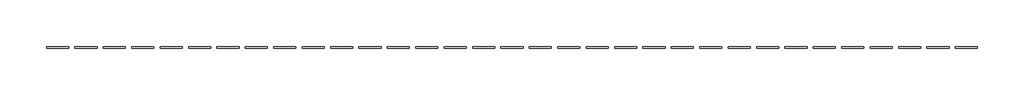
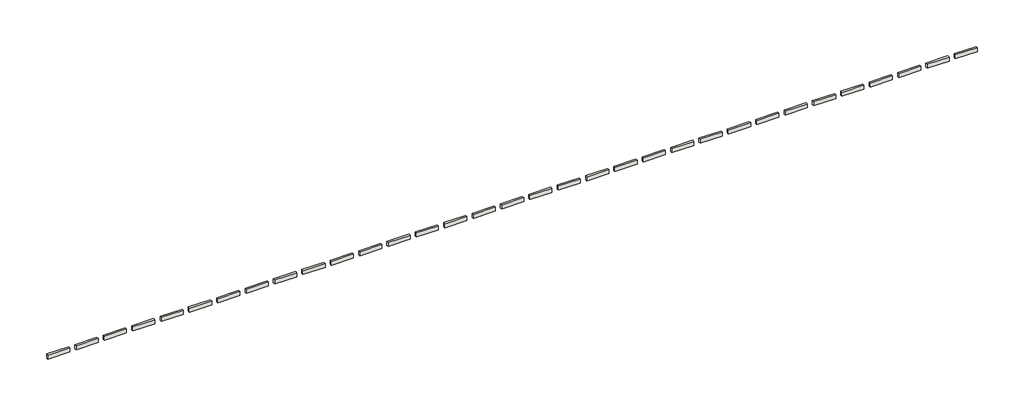
# One storey: 33 walls.
"""IFC4 building model written with IfcOpenShell, lengths in millimetres."""

import ifcopenshell
import ifcopenshell.guid

model = None  # the IFC model being written
_history = None  # IfcOwnerHistory: only IFC2X3 demands one
_inside = {}  # id of a spatial element -> (the spatial element, [elements in it])
_under = {}  # id of a project, library or spatial element -> (it, [spatial elements below it])
_declared = {}  # id of a project -> (the project, [libraries it declares])
_typed = {}  # id of a type object -> (the type object, [elements of that type])
_made_of = {}  # id of a material, layer set ... -> (it, [elements and type objects made of it])


def new_model(schema):
    """Start an empty IFC model of exactly this schema.

    Asked for "IFC4X3", IfcOpenShell would pick the latest addendum, in which some entities
    have other attributes; the version numbers below select the first issue.
    IFC2X3 requires an IfcOwnerHistory on every rooted entity: one is made here for all.
    """
    global model, _history
    if schema == "IFC4X3":
        model = ifcopenshell.file(schema_version=(4, 3, 0, 0))
    else:
        model = ifcopenshell.file(schema=schema)
    _inside.clear()
    _under.clear()
    _declared.clear()
    _typed.clear()
    _made_of.clear()
    _history = None
    if model.schema == "IFC2X3":
        org = make("IfcOrganization", Name="unknown")
        user = make(
            "IfcPersonAndOrganization",
            ThePerson=make("IfcPerson", FamilyName="unknown"),
            TheOrganization=org,
        )
        app = make(
            "IfcApplication",
            ApplicationDeveloper=org,
            Version="unknown",
            ApplicationFullName="unknown",
            ApplicationIdentifier="unknown",
        )
        _history = make(
            "IfcOwnerHistory",
            OwningUser=user,
            OwningApplication=app,
            ChangeAction="ADDED",
            CreationDate=0,
        )
    return model


def make(cls, **values):
    """One entity of the class cls with the attributes given. An attribute that is None is left unset."""
    return model.create_entity(
        cls, **{name: value for name, value in values.items() if value is not None}
    )


def rooted(cls, **values):
    """An entity with a GlobalId (a new one), such as an element, a storey or a relation."""
    return make(cls, GlobalId=ifcopenshell.guid.new(), OwnerHistory=_history, **values)


def si_unit(unit_type, name, prefix=None):
    """IfcSIUnit, for example si_unit("LENGTHUNIT", "METRE", prefix="MILLI")."""
    return make("IfcSIUnit", UnitType=unit_type, Prefix=prefix, Name=name)


def assignment(units):
    """IfcUnitAssignment: the units of a project."""
    return None if units is None else make("IfcUnitAssignment", Units=units)


def point(xyz):
    """IfcCartesianPoint."""
    return None if xyz is None else make("IfcCartesianPoint", Coordinates=xyz)


def direction(xyz):
    """IfcDirection."""
    return None if xyz is None else make("IfcDirection", DirectionRatios=xyz)


def frame(location, z_axis=None, x_axis=None):
    """IfcAxis2Placement3D, a coordinate frame: its origin and axes. An axis left out is left unset."""
    return make(
        "IfcAxis2Placement3D",
        Location=point(location),
        Axis=direction(z_axis),
        RefDirection=direction(x_axis),
    )


def origin():
    """The frame at (0, 0, 0) with its axes left unset."""
    return frame((0.0, 0.0, 0.0))


def place(relative_to, where):
    """IfcLocalPlacement: puts the frame where relative to a parent placement (None: the world)."""
    return make(
        "IfcLocalPlacement", PlacementRelTo=relative_to, RelativePlacement=where
    )


def context(
    kind, dimensions, precision=None, world=None, true_north=None, identifier=None
):
    """IfcGeometricRepresentationContext, for example the 3D "Model" context."""
    return make(
        "IfcGeometricRepresentationContext",
        ContextIdentifier=identifier,
        ContextType=kind,
        CoordinateSpaceDimension=dimensions,
        Precision=precision,
        WorldCoordinateSystem=world,
        TrueNorth=true_north,
    )


def project(units=None, contexts=None):
    """IfcProject with its units and contexts."""
    return rooted(
        "IfcProject",
        Name="project",
        RepresentationContexts=contexts,
        UnitsInContext=assignment(units),
    )


def spatial(cls, under=None, at=None, **own):
    """A site, building, storey or space (cls), placed at a placement, below another one or the project."""
    s = rooted(cls, ObjectPlacement=at, **own)
    if under is not None:
        _under.setdefault(under.id(), (under, []))[1].append(s)
    return s


def polyline(points):
    """IfcPolyline through the points."""
    return make("IfcPolyline", Points=[point(p) for p in points])


def outline(outer, holes=None, kind="AREA"):
    """IfcArbitraryClosedProfileDef: a profile drawn as a closed curve; with holes, ...WithVoids."""
    if holes is None:
        return make("IfcArbitraryClosedProfileDef", ProfileType=kind, OuterCurve=outer)
    return make(
        "IfcArbitraryProfileDefWithVoids",
        ProfileType=kind,
        OuterCurve=outer,
        InnerCurves=holes,
    )


def extrude(swept, where, along, depth):
    """IfcExtrudedAreaSolid: the profile swept, set in the frame where, extruded along a direction by depth."""
    return make(
        "IfcExtrudedAreaSolid",
        SweptArea=swept,
        Position=where,
        ExtrudedDirection=direction(along),
        Depth=depth,
    )


def shape(context_of_items, identifier, shape_type, items):
    """IfcShapeRepresentation: the items that make up one representation, for example the "Body"."""
    return make(
        "IfcShapeRepresentation",
        ContextOfItems=context_of_items,
        RepresentationIdentifier=identifier,
        RepresentationType=shape_type,
        Items=items,
    )


def made_of(thing, what):
    """Note that an element or type object is made of a material, layer set ...; save() writes the relation."""
    if what is not None:
        _made_of.setdefault(what.id(), (what, []))[1].append(thing)
    return thing


def element(
    cls,
    number,
    at=None,
    inside=None,
    cuts=None,
    type_object=None,
    material=None,
    context=None,
    identifier="Body",
    shape_type=None,
    held_by="IfcProductDefinitionShape",
    body=None,
    shapes=None,
    **own,
):
    """One element of the class cls, such as IfcWall. Its Tag is "e" and its number.

    at: its placement. inside: the storey or other place that contains it. cuts: it is an
    opening in that element (IfcRelVoidsElement). A single representation is given by context,
    identifier, shape_type and body (its items); several are given by shapes. held_by: the class
    of the entity that holds the representations. save() writes the other relations.
    """
    e = rooted(cls, Tag="e%d" % number, ObjectPlacement=at, **own)
    if body is not None:
        shapes = [shape(context, identifier, shape_type, body)]
    if shapes is not None:
        e.Representation = make(held_by, Representations=shapes)
    if inside is not None:
        _inside.setdefault(inside.id(), (inside, []))[1].append(e)
    if cuts is not None:
        rooted(
            "IfcRelVoidsElement", RelatingBuildingElement=cuts, RelatedOpeningElement=e
        )
    if type_object is not None:
        _typed.setdefault(type_object.id(), (type_object, []))[1].append(e)
    return made_of(e, material)


def aggregate(whole, parts):
    """IfcRelAggregates: a whole, such as a stair, and the parts it consists of."""
    return rooted("IfcRelAggregates", RelatingObject=whole, RelatedObjects=parts)


def save(model, path):
    """Write the relations noted so far, then the file.

    IfcRelAggregates (storeys below a building ...), IfcRelContainedInSpatialStructure (elements
    in a storey), IfcRelDefinesByType, IfcRelAssociatesMaterial and IfcRelDeclares: one each for
    every whole, place, type object, material and project.
    """
    for whole, parts in _under.values():
        aggregate(whole, parts)
    for where, things in _inside.values():
        rooted(
            "IfcRelContainedInSpatialStructure",
            RelatedElements=things,
            RelatingStructure=where,
        )
    for kind, things in _typed.values():
        rooted("IfcRelDefinesByType", RelatedObjects=things, RelatingType=kind)
    for what, things in _made_of.values():
        rooted("IfcRelAssociatesMaterial", RelatedObjects=things, RelatingMaterial=what)
    for by, libraries in _declared.values():
        rooted("IfcRelDeclares", RelatingContext=by, RelatedDefinitions=libraries)
    model.write(path)


model = new_model("IFC4")

# Units and contexts
model_context = context("Model", 3, world=origin())
ifc_project = project(units=[si_unit("LENGTHUNIT", "METRE", prefix="MILLI")], contexts=[model_context])

# Site, building, storey
site = spatial("IfcSite", under=ifc_project)
building = spatial("IfcBuilding", under=site)
storey = spatial("IfcBuildingStorey", under=building, Elevation=4572.0)

# Walls
placement = place(None, origin())
element("IfcWall", 1, at=placement, inside=storey, context=model_context, shape_type="SweptSolid", body=[
    extrude(outline(polyline([(-8690.2229746, -16291.1995319), (-9757.0229746, -16291.1995319), (-9757.0229746, -16199.1245319), (-8690.2229746, -16199.1245319), (-8690.2229746, -16291.1995319)])), frame((0.0, 0.0, 4572.0), z_axis=(0.0, 0.0, 1.0), x_axis=(1.0, 0.0, 0.0)), (0.0, 0.0, 1.0), 203.2),
])
element("IfcWall", 2, at=placement, inside=storey, context=model_context, shape_type="SweptSolid", body=[
    extrude(outline(polyline([(-7318.6229746, -16291.1995319), (-8385.4229746, -16291.1995319), (-8385.4229746, -16199.1245319), (-7318.6229746, -16199.1245319), (-7318.6229746, -16291.1995319)])), frame((0.0, 0.0, 4572.0), z_axis=(0.0, 0.0, 1.0), x_axis=(1.0, 0.0, 0.0)), (0.0, 0.0, 1.0), 203.2),
])
element("IfcWall", 3, at=placement, inside=storey, context=model_context, shape_type="SweptSolid", body=[
    extrude(outline(polyline([(2282.5770254, -16291.1995319), (1215.7770254, -16291.1995319), (1215.7770254, -16199.1245319), (2282.5770254, -16199.1245319), (2282.5770254, -16291.1995319)])), frame((0.0, 0.0, 4572.0), z_axis=(0.0, 0.0, 1.0), x_axis=(1.0, 0.0, 0.0)), (0.0, 0.0, 1.0), 203.2),
])
element("IfcWall", 4, at=placement, inside=storey, context=model_context, shape_type="SweptSolid", body=[
    extrude(outline(polyline([(3654.1770254, -16291.1995319), (2587.3770254, -16291.1995319), (2587.3770254, -16199.1245319), (3654.1770254, -16199.1245319), (3654.1770254, -16291.1995319)])), frame((0.0, 0.0, 4572.0), z_axis=(0.0, 0.0, 1.0), x_axis=(1.0, 0.0, 0.0)), (0.0, 0.0, 1.0), 203.2),
])
element("IfcWall", 5, at=placement, inside=storey, context=model_context, shape_type="SweptSolid", body=[
    extrude(outline(polyline([(7768.9770254, -16291.1995319), (6702.1770254, -16291.1995319), (6702.1770254, -16199.1245319), (7768.9770254, -16199.1245319), (7768.9770254, -16291.1995319)])), frame((0.0, 0.0, 4572.0), z_axis=(0.0, 0.0, 1.0), x_axis=(1.0, 0.0, 0.0)), (0.0, 0.0, 1.0), 203.2),
])
element("IfcWall", 6, at=placement, inside=storey, context=model_context, shape_type="SweptSolid", body=[
    extrude(outline(polyline([(10512.1770254, -16291.1995319), (9445.3770254, -16291.1995319), (9445.3770254, -16199.1245319), (10512.1770254, -16199.1245319), (10512.1770254, -16291.1995319)])), frame((0.0, 0.0, 4572.0), z_axis=(0.0, 0.0, 1.0), x_axis=(1.0, 0.0, 0.0)), (0.0, 0.0, 1.0), 203.2),
])
element("IfcWall", 7, at=placement, inside=storey, context=model_context, shape_type="SweptSolid", body=[
    extrude(outline(polyline([(11883.7770254, -16291.1995319), (10816.9770254, -16291.1995319), (10816.9770254, -16199.1245319), (11883.7770254, -16199.1245319), (11883.7770254, -16291.1995319)])), frame((0.0, 0.0, 4572.0), z_axis=(0.0, 0.0, 1.0), x_axis=(1.0, 0.0, 0.0)), (0.0, 0.0, 1.0), 203.2),
])
element("IfcWall", 8, at=placement, inside=storey, context=model_context, shape_type="SweptSolid", body=[
    extrude(outline(polyline([(13255.3770254, -16291.1995319), (12188.5770254, -16291.1995319), (12188.5770254, -16199.1245319), (13255.3770254, -16199.1245319), (13255.3770254, -16291.1995319)])), frame((0.0, 0.0, 4572.0), z_axis=(0.0, 0.0, 1.0), x_axis=(1.0, 0.0, 0.0)), (0.0, 0.0, 1.0), 203.2),
])
element("IfcWall", 9, at=placement, inside=storey, context=model_context, shape_type="SweptSolid", body=[
    extrude(outline(polyline([(14626.9770254, -16291.1995319), (13560.1770254, -16291.1995319), (13560.1770254, -16199.1245319), (14626.9770254, -16199.1245319), (14626.9770254, -16291.1995319)])), frame((0.0, 0.0, 4572.0), z_axis=(0.0, 0.0, 1.0), x_axis=(1.0, 0.0, 0.0)), (0.0, 0.0, 1.0), 203.2),
])
element("IfcWall", 10, at=placement, inside=storey, context=model_context, shape_type="SweptSolid", body=[
    extrude(outline(polyline([(-19663.0229746, -16291.1995319), (-20729.8229746, -16291.1995319), (-20729.8229746, -16199.1245319), (-19663.0229746, -16199.1245319), (-19663.0229746, -16291.1995319)])), frame((0.0, 0.0, 4572.0), z_axis=(0.0, 0.0, 1.0), x_axis=(1.0, 0.0, 0.0)), (0.0, 0.0, 1.0), 203.2),
])
element("IfcWall", 11, at=placement, inside=storey, context=model_context, shape_type="SweptSolid", body=[
    extrude(outline(polyline([(-18291.4229746, -16291.1995319), (-19358.2229746, -16291.1995319), (-19358.2229746, -16199.1245319), (-18291.4229746, -16199.1245319), (-18291.4229746, -16291.1995319)])), frame((0.0, 0.0, 4572.0), z_axis=(0.0, 0.0, 1.0), x_axis=(1.0, 0.0, 0.0)), (0.0, 0.0, 1.0), 203.2),
])
element("IfcWall", 12, at=placement, inside=storey, context=model_context, shape_type="SweptSolid", body=[
    extrude(outline(polyline([(-11433.4229746, -16291.1995319), (-12500.2229746, -16291.1995319), (-12500.2229746, -16199.1245319), (-11433.4229746, -16199.1245319), (-11433.4229746, -16291.1995319)])), frame((0.0, 0.0, 4572.0), z_axis=(0.0, 0.0, 1.0), x_axis=(1.0, 0.0, 0.0)), (0.0, 0.0, 1.0), 203.2),
])
element("IfcWall", 13, at=placement, inside=storey, context=model_context, shape_type="SweptSolid", body=[
    extrude(outline(polyline([(-10061.8229746, -16291.1995319), (-11128.6229746, -16291.1995319), (-11128.6229746, -16199.1245319), (-10061.8229746, -16199.1245319), (-10061.8229746, -16291.1995319)])), frame((0.0, 0.0, 4572.0), z_axis=(0.0, 0.0, 1.0), x_axis=(1.0, 0.0, 0.0)), (0.0, 0.0, 1.0), 203.2),
])
element("IfcWall", 14, at=placement, inside=storey, context=model_context, shape_type="SweptSolid", body=[
    extrude(outline(polyline([(-16919.8229746, -16291.1995319), (-17986.6229746, -16291.1995319), (-17986.6229746, -16199.1245319), (-16919.8229746, -16199.1245319), (-16919.8229746, -16291.1995319)])), frame((0.0, 0.0, 4572.0), z_axis=(0.0, 0.0, 1.0), x_axis=(1.0, 0.0, 0.0)), (0.0, 0.0, 1.0), 203.2),
])
element("IfcWall", 15, at=placement, inside=storey, context=model_context, shape_type="SweptSolid", body=[
    extrude(outline(polyline([(-15548.2229746, -16291.1995319), (-16615.0229746, -16291.1995319), (-16615.0229746, -16199.1245319), (-15548.2229746, -16199.1245319), (-15548.2229746, -16291.1995319)])), frame((0.0, 0.0, 4572.0), z_axis=(0.0, 0.0, 1.0), x_axis=(1.0, 0.0, 0.0)), (0.0, 0.0, 1.0), 203.2),
])
element("IfcWall", 16, at=placement, inside=storey, context=model_context, shape_type="SweptSolid", body=[
    extrude(outline(polyline([(-460.6229746, -16291.1995319), (-1527.4229746, -16291.1995319), (-1527.4229746, -16199.1245319), (-460.6229746, -16199.1245319), (-460.6229746, -16291.1995319)])), frame((0.0, 0.0, 4572.0), z_axis=(0.0, 0.0, 1.0), x_axis=(1.0, 0.0, 0.0)), (0.0, 0.0, 1.0), 203.2),
])
element("IfcWall", 17, at=placement, inside=storey, context=model_context, shape_type="SweptSolid", body=[
    extrude(outline(polyline([(910.9770254, -16291.1995319), (-155.8229746, -16291.1995319), (-155.8229746, -16199.1245319), (910.9770254, -16199.1245319), (910.9770254, -16291.1995319)])), frame((0.0, 0.0, 4572.0), z_axis=(0.0, 0.0, 1.0), x_axis=(1.0, 0.0, 0.0)), (0.0, 0.0, 1.0), 203.2),
])
element("IfcWall", 18, at=placement, inside=storey, context=model_context, shape_type="SweptSolid", body=[
    extrude(outline(polyline([(-14176.6229746, -16291.1995319), (-15243.4229746, -16291.1995319), (-15243.4229746, -16199.1245319), (-14176.6229746, -16199.1245319), (-14176.6229746, -16291.1995319)])), frame((0.0, 0.0, 4572.0), z_axis=(0.0, 0.0, 1.0), x_axis=(1.0, 0.0, 0.0)), (0.0, 0.0, 1.0), 203.2),
])
element("IfcWall", 19, at=placement, inside=storey, context=model_context, shape_type="SweptSolid", body=[
    extrude(outline(polyline([(-12805.0229746, -16291.1995319), (-13871.8229746, -16291.1995319), (-13871.8229746, -16199.1245319), (-12805.0229746, -16199.1245319), (-12805.0229746, -16291.1995319)])), frame((0.0, 0.0, 4572.0), z_axis=(0.0, 0.0, 1.0), x_axis=(1.0, 0.0, 0.0)), (0.0, 0.0, 1.0), 203.2),
])
element("IfcWall", 20, at=placement, inside=storey, context=model_context, shape_type="SweptSolid", body=[
    extrude(outline(polyline([(-22406.2229746, -16291.1995319), (-23473.0229746, -16291.1995319), (-23473.0229746, -16199.1245319), (-22406.2229746, -16199.1245319), (-22406.2229746, -16291.1995319)])), frame((0.0, 0.0, 4572.0), z_axis=(0.0, 0.0, 1.0), x_axis=(1.0, 0.0, 0.0)), (0.0, 0.0, 1.0), 203.2),
])
element("IfcWall", 21, at=placement, inside=storey, context=model_context, shape_type="SweptSolid", body=[
    extrude(outline(polyline([(-26521.0229746, -16291.1995319), (-27587.8229746, -16291.1995319), (-27587.8229746, -16199.1245319), (-26521.0229746, -16199.1245319), (-26521.0229746, -16291.1995319)])), frame((0.0, 0.0, 4572.0), z_axis=(0.0, 0.0, 1.0), x_axis=(1.0, 0.0, 0.0)), (0.0, 0.0, 1.0), 203.2),
])
element("IfcWall", 22, at=placement, inside=storey, context=model_context, shape_type="SweptSolid", body=[
    extrude(outline(polyline([(-25149.4229746, -16291.1995319), (-26216.2229746, -16291.1995319), (-26216.2229746, -16199.1245319), (-25149.4229746, -16199.1245319), (-25149.4229746, -16291.1995319)])), frame((0.0, 0.0, 4572.0), z_axis=(0.0, 0.0, 1.0), x_axis=(1.0, 0.0, 0.0)), (0.0, 0.0, 1.0), 203.2),
])
element("IfcWall", 23, at=placement, inside=storey, context=model_context, shape_type="SweptSolid", body=[
    extrude(outline(polyline([(-23777.8229746, -16291.1995319), (-24844.6229746, -16291.1995319), (-24844.6229746, -16199.1245319), (-23777.8229746, -16199.1245319), (-23777.8229746, -16291.1995319)])), frame((0.0, 0.0, 4572.0), z_axis=(0.0, 0.0, 1.0), x_axis=(1.0, 0.0, 0.0)), (0.0, 0.0, 1.0), 203.2),
])
element("IfcWall", 24, at=placement, inside=storey, context=model_context, shape_type="SweptSolid", body=[
    extrude(outline(polyline([(-21034.6229746, -16291.1995319), (-22101.4229746, -16291.1995319), (-22101.4229746, -16199.1245319), (-21034.6229746, -16199.1245319), (-21034.6229746, -16291.1995319)])), frame((0.0, 0.0, 4572.0), z_axis=(0.0, 0.0, 1.0), x_axis=(1.0, 0.0, 0.0)), (0.0, 0.0, 1.0), 203.2),
])
element("IfcWall", 25, at=placement, inside=storey, context=model_context, shape_type="SweptSolid", body=[
    extrude(outline(polyline([(-5947.0229746, -16291.1995319), (-7013.8229746, -16291.1995319), (-7013.8229746, -16199.1245319), (-5947.0229746, -16199.1245319), (-5947.0229746, -16291.1995319)])), frame((0.0, 0.0, 4572.0), z_axis=(0.0, 0.0, 1.0), x_axis=(1.0, 0.0, 0.0)), (0.0, 0.0, 1.0), 203.2),
])
element("IfcWall", 26, at=placement, inside=storey, context=model_context, shape_type="SweptSolid", body=[
    extrude(outline(polyline([(-4575.4229746, -16291.1995319), (-5642.2229746, -16291.1995319), (-5642.2229746, -16199.1245319), (-4575.4229746, -16199.1245319), (-4575.4229746, -16291.1995319)])), frame((0.0, 0.0, 4572.0), z_axis=(0.0, 0.0, 1.0), x_axis=(1.0, 0.0, 0.0)), (0.0, 0.0, 1.0), 203.2),
])
element("IfcWall", 27, at=placement, inside=storey, context=model_context, shape_type="SweptSolid", body=[
    extrude(outline(polyline([(-3203.8229746, -16291.1995319), (-4270.6229746, -16291.1995319), (-4270.6229746, -16199.1245319), (-3203.8229746, -16199.1245319), (-3203.8229746, -16291.1995319)])), frame((0.0, 0.0, 4572.0), z_axis=(0.0, 0.0, 1.0), x_axis=(1.0, 0.0, 0.0)), (0.0, 0.0, 1.0), 203.2),
])
element("IfcWall", 28, at=placement, inside=storey, context=model_context, shape_type="SweptSolid", body=[
    extrude(outline(polyline([(-1832.2229746, -16291.1995319), (-2899.0229746, -16291.1995319), (-2899.0229746, -16199.1245319), (-1832.2229746, -16199.1245319), (-1832.2229746, -16291.1995319)])), frame((0.0, 0.0, 4572.0), z_axis=(0.0, 0.0, 1.0), x_axis=(1.0, 0.0, 0.0)), (0.0, 0.0, 1.0), 203.2),
])
element("IfcWall", 29, at=placement, inside=storey, context=model_context, shape_type="SweptSolid", body=[
    extrude(outline(polyline([(5025.7770254, -16291.1995319), (3958.9770254, -16291.1995319), (3958.9770254, -16199.1245319), (5025.7770254, -16199.1245319), (5025.7770254, -16291.1995319)])), frame((0.0, 0.0, 4572.0), z_axis=(0.0, 0.0, 1.0), x_axis=(1.0, 0.0, 0.0)), (0.0, 0.0, 1.0), 203.2),
])
element("IfcWall", 30, at=placement, inside=storey, context=model_context, shape_type="SweptSolid", body=[
    extrude(outline(polyline([(6397.3770254, -16291.1995319), (5330.5770254, -16291.1995319), (5330.5770254, -16199.1245319), (6397.3770254, -16199.1245319), (6397.3770254, -16291.1995319)])), frame((0.0, 0.0, 4572.0), z_axis=(0.0, 0.0, 1.0), x_axis=(1.0, 0.0, 0.0)), (0.0, 0.0, 1.0), 203.2),
])
element("IfcWall", 31, at=placement, inside=storey, context=model_context, shape_type="SweptSolid", body=[
    extrude(outline(polyline([(9140.5770254, -16291.1995319), (8073.7770254, -16291.1995319), (8073.7770254, -16199.1245319), (9140.5770254, -16199.1245319), (9140.5770254, -16291.1995319)])), frame((0.0, 0.0, 4572.0), z_axis=(0.0, 0.0, 1.0), x_axis=(1.0, 0.0, 0.0)), (0.0, 0.0, 1.0), 203.2),
])
element("IfcWall", 32, at=placement, inside=storey, context=model_context, shape_type="SweptSolid", body=[
    extrude(outline(polyline([(15998.5770254, -16291.1995319), (14931.7770254, -16291.1995319), (14931.7770254, -16199.1245319), (15998.5770254, -16199.1245319), (15998.5770254, -16291.1995319)])), frame((0.0, 0.0, 4572.0), z_axis=(0.0, 0.0, 1.0), x_axis=(1.0, 0.0, 0.0)), (0.0, 0.0, 1.0), 203.2),
])
element("IfcWall", 33, at=placement, inside=storey, context=model_context, shape_type="SweptSolid", body=[
    extrude(outline(polyline([(17370.1770254, -16291.1995319), (16303.3770254, -16291.1995319), (16303.3770254, -16199.1245319), (17370.1770254, -16199.1245319), (17370.1770254, -16291.1995319)])), frame((0.0, 0.0, 4572.0), z_axis=(0.0, 0.0, 1.0), x_axis=(1.0, 0.0, 0.0)), (0.0, 0.0, 1.0), 203.2),
])

save(model, "model.ifc")
